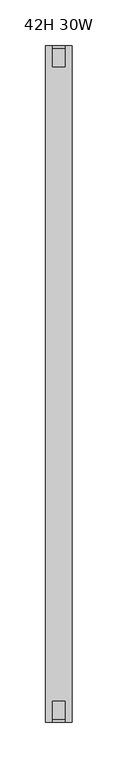
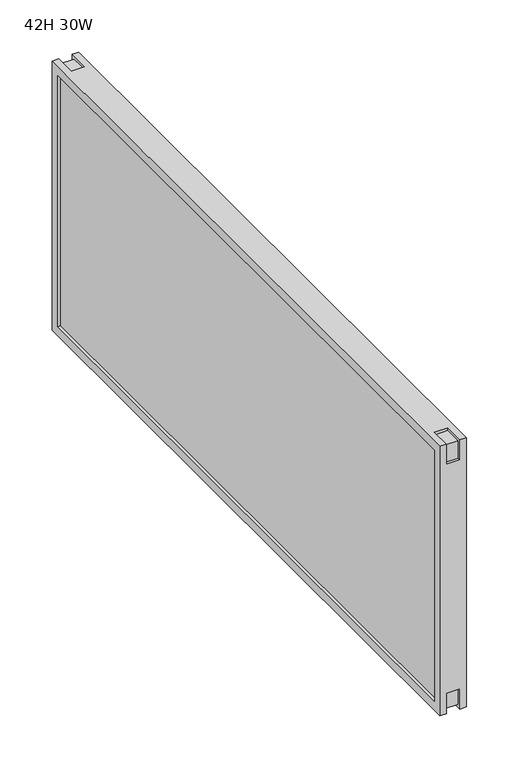
"""IFC4 building model written with IfcOpenShell, lengths in millimetres: furniture geometry, 42H 30W."""

from ifc_helpers import new_model, si_unit, frame, origin, place, context, project, spatial, polyline, outline, extrude, faceted_brep, source, transform, mapped, element, save


def furniture_42h_30w_9985aaa3(model_context):
    return source(origin(), model_context, "Body", "SolidModel", [
        faceted_brep([(14.75, -729.8412, 1054.989), (14.75, -729.8412, 740.45), (14.75, 12.55, 740.45), (14.75, 12.55, 1054.989), (14.75, 2.05, 750.95), (14.75, -719.3412, 750.95), (14.75, -719.3412, 1044.489), (14.75, 2.05, 1044.489), (-14.75, -729.8412, 1054.989), (-14.75, 12.55, 1054.989), (-14.75, 12.55, 740.45), (-14.75, -729.8412, 740.45), (-14.75, 2.05, 750.95), (-14.75, 2.05, 1044.489), (-14.75, -719.3412, 1044.489), (-14.75, -719.3412, 750.95), (7.6, -729.8412, 1054.989), (7.6, -729.8412, 1031.4889809), (-7.6, -729.8412, 1031.4889809), (-7.6, -729.8412, 1054.989), (-7.6, -729.8412, 740.45), (-7.6, -729.8412, 763.9500062), (7.6, -729.8412, 763.9500062), (7.6, -729.8412, 740.45), (7.6, -706.3411852, 740.45), (-7.6, -706.3411852, 740.45), (-7.6, 12.55, 740.45), (-7.6, -10.9500061, 740.45), (7.6, -10.9500061, 740.45), (7.6, 12.55, 740.45), (7.6, 12.55, 763.9500105), (-7.6, 12.55, 763.9500105), (-7.6, 12.55, 1054.989), (-7.6, 12.55, 1031.4889852), (7.6, 12.55, 1031.4889852), (7.6, 12.55, 1054.989), (7.6, -10.9500233, 1054.989), (-7.6, -10.9500233, 1054.989), (-7.6, -706.3411895, 1054.989), (7.6, -706.3411895, 1054.989), (7.6, -706.3411895, 1051.6389865), (7.6, -726.491195, 1051.6389865), (7.6, -726.491195, 1031.4889809), (7.6, 9.1999822, 1031.4889852), (7.6, 9.1999822, 1051.6389908), (7.6, -10.9500233, 1051.6389908), (7.6, -726.4911907, 763.9500062), (7.6, -726.4911907, 743.8000007), (7.6, -706.3411852, 743.8000007), (7.6, -10.9500061, 743.800005), (7.6, 9.1999994, 743.800005), (7.6, 9.1999994, 763.9500105), (-7.6, -706.3411895, 1051.6389865), (-7.6, -726.491195, 1031.4889809), (-7.6, -726.491195, 1051.6389865), (-7.6, 9.1999822, 1031.4889852), (-7.6, -10.9500233, 1051.6389908), (-7.6, 9.1999822, 1051.6389908), (-7.6, -726.4911907, 763.9500062), (-7.6, -706.3411852, 743.8000007), (-7.6, -726.4911907, 743.8000007), (-7.6, -10.9500061, 743.800005), (-7.6, 9.1999994, 763.9500105), (-7.6, 9.1999994, 743.800005)], [[[0, 1, 2, 3], [4, 5, 6, 7]], [[8, 9, 10, 11], [12, 13, 14, 15]], [[1, 0, 16, 17, 18, 19, 8, 11, 20, 21, 22, 23]], [[2, 1, 23, 24, 25, 20, 11, 10, 26, 27, 28, 29]], [[3, 2, 29, 30, 31, 26, 10, 9, 32, 33, 34, 35]], [[0, 3, 35, 36, 37, 32, 9, 8, 19, 38, 39, 16]], [[5, 4, 12, 15]], [[6, 5, 15, 14]], [[7, 6, 14, 13]], [[4, 7, 13, 12]], [[40, 41, 42, 17, 16, 39]], [[43, 44, 45, 36, 35, 34]], [[46, 47, 48, 24, 23, 22]], [[49, 50, 51, 30, 29, 28]], [[52, 38, 19, 18, 53, 54]], [[55, 33, 32, 37, 56, 57]], [[58, 21, 20, 25, 59, 60]], [[61, 27, 26, 31, 62, 63]], [[40, 39, 38, 52]], [[17, 42, 53, 18]], [[42, 41, 54, 53]], [[41, 40, 52, 54]], [[43, 34, 33, 55]], [[36, 45, 56, 37]], [[45, 44, 57, 56]], [[44, 43, 55, 57]], [[46, 22, 21, 58]], [[24, 48, 59, 25]], [[48, 47, 60, 59]], [[47, 46, 58, 60]], [[49, 28, 27, 61]], [[30, 51, 62, 31]], [[51, 50, 63, 62]], [[50, 49, 61, 63]]]),
        extrude(outline(polyline([(-11.75, 2.05), (11.75, 2.05), (11.75, -719.3412), (-11.75, -719.3412), (-11.75, 2.05)])), frame((0.0, 0.0, 750.95), z_axis=(0.0, 0.0, 1.0), x_axis=(1.0, 0.0, 0.0)), (0.0, 0.0, 1.0), 293.539),
    ])


if __name__ == "__main__":
    model = new_model("IFC4")
    model_context = context("Model", 3, world=origin())
    ifc_project = project(units=[si_unit("LENGTHUNIT", "METRE", prefix="MILLI")], contexts=[model_context])
    site = spatial("IfcSite", under=ifc_project)
    building = spatial("IfcBuilding", under=site)
    placement = place(None, origin())
    furniture_42h_30w_shape = furniture_42h_30w_9985aaa3(model_context)
    element("IfcFurniture", 1, ObjectType="42H 30W", at=placement, inside=building, context=model_context, shape_type="MappedRepresentation", body=[
        mapped(furniture_42h_30w_shape, transform((0.0, 0.0, 0.0), x_axis=(1.0, 0.0, 0.0), y_axis=(0.0, 1.0, 0.0), z_axis=(0.0, 0.0, 1.0))),
    ])
    save(model, "model.ifc")
